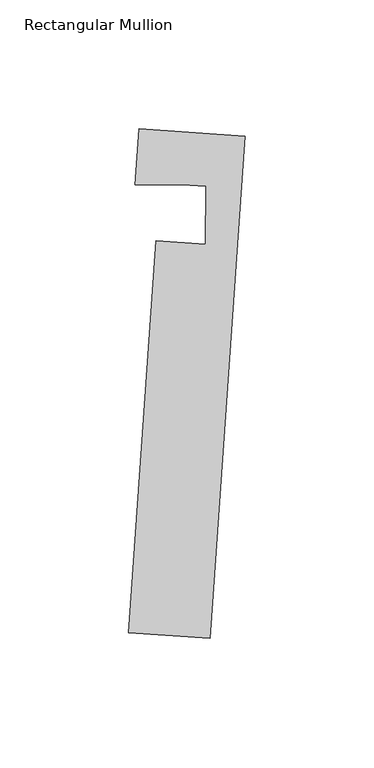
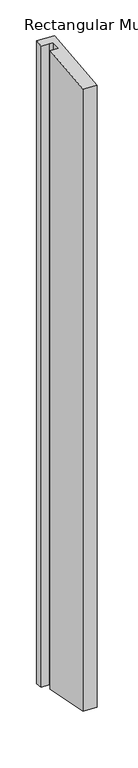
"""IFC4 building model written with IfcOpenShell, lengths in millimetres: member geometry, Rectangular Mullion."""

from ifc_helpers import new_model, si_unit, origin, place, context, project, spatial, faceted_brep, source, transform, mapped, element, save


def rectangular_mullion_613c67b3(model_context):
    return source(origin(), model_context, "Body", "Brep", [
        faceted_brep([(-31.7845604, 0.701648, 0.0), (-42.3358434, -151.3326587, 0.0), (-10.6620295, -153.5308427, 0.0), (2.8623076, 41.3424451, 0.0), (-38.3131171, 44.2000472, 0.0), (-39.8142211, 22.5705163, 0.0), (-21.6239054, 22.5295612, 0.0), (-12.3603912, 21.8866671, 0.0), (-12.411116, -0.642882, 0.0), (-31.7845604, 0.701648, -1574.9059831), (-42.3358434, -151.3326587, -1534.1045538), (-10.6620295, -153.5308427, -1534.1041282), (2.8623076, 41.3424451, -1586.4022498), (-38.3131171, 44.2000472, -1586.4028031), (-39.8142211, 22.5705163, -1580.5980884), (-21.6239054, 22.5295612, -1580.9240783), (-12.3603912, 21.8866671, -1580.9239538), (-12.411116, -0.642882, -1574.9057227)], [[[0, 1, 2, 3, 4, 5, 6, 7, 8]], [[1, 0, 9, 10]], [[2, 1, 10, 11]], [[3, 2, 11, 12]], [[4, 3, 12, 13]], [[5, 4, 13, 14]], [[6, 5, 14, 15]], [[7, 6, 15, 16]], [[8, 7, 16, 17]], [[0, 8, 17, 9]], [[9, 17, 16, 15, 14, 13, 12, 11, 10]]]),
    ])


if __name__ == "__main__":
    model = new_model("IFC4")
    model_context = context("Model", 3, world=origin())
    ifc_project = project(units=[si_unit("LENGTHUNIT", "METRE", prefix="MILLI")], contexts=[model_context])
    site = spatial("IfcSite", under=ifc_project)
    building = spatial("IfcBuilding", under=site)
    placement = place(None, origin())
    rectangular_mullion_shape = rectangular_mullion_613c67b3(model_context)
    element("IfcMember", 1, ObjectType="Rectangular Mullion", at=placement, inside=building, context=model_context, shape_type="MappedRepresentation", body=[
        mapped(rectangular_mullion_shape, transform((0.0, 0.0, 0.0), x_axis=(1.0, 0.0, 0.0), y_axis=(0.0, 1.0, 0.0), z_axis=(0.0, 0.0, 1.0))),
    ])
    save(model, "model.ifc")
